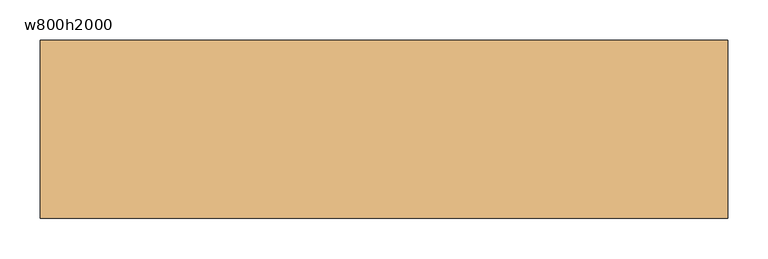
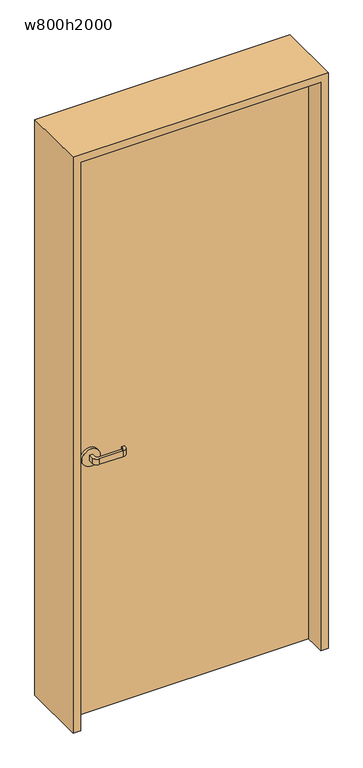
"""IFC4 building model written with IfcOpenShell, lengths in millimetres: door geometry, w800h2000."""

from ifc_helpers import new_model, si_unit, point, frame, frame_2d, origin, origin_with_axes, place, context, project, spatial, polyline, circle_curve, trimmed, segment, composite_curve, outline, extrude, source, transform, mapped, element, save


def w800h2000_a5e513ef(model_context):
    return source(origin(), model_context, "Body", "SweptSolid", [
        extrude(outline(polyline([(400.0, -40.0), (-400.0, -40.0), (-400.0, 0.0), (400.0, 0.0), (400.0, -40.0)])), origin_with_axes(), (0.0, 0.0, 1.0), 2000.0),
        extrude(outline(composite_curve([segment(polyline([(-325.0, -50.0), (-325.0, -65.0)]), True, "CONTINUOUS"), segment(trimmed(circle_curve(frame_2d((-320.0, -65.0)), 5.0), [point((-325.0, -65.0))], [point((-320.0, -70.0))], True, "CARTESIAN"), True, "CONTINUOUS"), segment(polyline([(-320.0, -70.0), (-240.0, -70.0)]), True, "CONTINUOUS"), segment(trimmed(circle_curve(frame_2d((-240.0, -65.0)), 5.0), [point((-240.0, -70.0))], [point((-235.0, -65.0))], True, "CARTESIAN"), True, "CONTINUOUS"), segment(polyline([(-235.0, -65.0), (-235.0, -60.0), (-225.0, -60.0), (-225.0, -65.0)]), True, "CONTINUOUS"), segment(trimmed(circle_curve(frame_2d((-240.0, -65.0)), 15.0), [point((-225.0, -65.0))], [point((-240.0, -80.0))], False, "CARTESIAN"), True, "CONTINUOUS"), segment(polyline([(-240.0, -80.0), (-320.0, -80.0)]), True, "CONTINUOUS"), segment(trimmed(circle_curve(frame_2d((-320.0, -65.0)), 15.0), [point((-320.0, -80.0))], [point((-335.0, -65.0))], False, "CARTESIAN"), True, "CONTINUOUS"), segment(polyline([(-335.0, -65.0), (-335.0, -50.0), (-325.0, -50.0)]), True, "CONTINUOUS")], self_intersect=False)), frame((0.0, 0.0, 890.0), z_axis=(0.0, 0.0, 1.0), x_axis=(1.0, 0.0, 0.0)), (0.0, 0.0, 1.0), 20.0),
        extrude(outline(composite_curve([segment(trimmed(circle_curve(frame_2d((900.0, -330.0)), 30.0), [point((900.0, -360.0))], [point((900.0, -300.0))], False, "CARTESIAN"), True, "CONTINUOUS"), segment(trimmed(circle_curve(frame_2d((900.0, -330.0)), 30.0), [point((900.0, -300.0))], [point((900.0, -360.0))], False, "CARTESIAN"), True, "CONTINUOUS")], self_intersect=False)), frame((0.0, -50.0, 0.0), z_axis=(0.0, 1.0, 0.0), x_axis=(0.0, 0.0, 1.0)), (0.0, 0.0, 1.0), 10.0),
        extrude(outline(composite_curve([segment(polyline([(-335.0, 10.0), (-335.0, 25.0)]), True, "CONTINUOUS"), segment(trimmed(circle_curve(frame_2d((-320.0, 25.0)), 15.0), [point((-335.0, 25.0))], [point((-320.0, 40.0))], False, "CARTESIAN"), True, "CONTINUOUS"), segment(polyline([(-320.0, 40.0), (-240.0, 40.0)]), True, "CONTINUOUS"), segment(trimmed(circle_curve(frame_2d((-240.0, 25.0)), 15.0), [point((-240.0, 40.0))], [point((-225.0, 25.0))], False, "CARTESIAN"), True, "CONTINUOUS"), segment(polyline([(-225.0, 25.0), (-225.0, 20.0), (-235.0, 20.0), (-235.0, 25.0)]), True, "CONTINUOUS"), segment(trimmed(circle_curve(frame_2d((-240.0, 25.0)), 5.0), [point((-235.0, 25.0))], [point((-240.0, 30.0))], True, "CARTESIAN"), True, "CONTINUOUS"), segment(polyline([(-240.0, 30.0), (-320.0, 30.0)]), True, "CONTINUOUS"), segment(trimmed(circle_curve(frame_2d((-320.0, 25.0)), 5.0), [point((-320.0, 30.0))], [point((-325.0, 25.0))], True, "CARTESIAN"), True, "CONTINUOUS"), segment(polyline([(-325.0, 25.0), (-325.0, 10.0), (-335.0, 10.0)]), True, "CONTINUOUS")], self_intersect=False)), frame((0.0, 0.0, 890.0), z_axis=(0.0, 0.0, 1.0), x_axis=(1.0, 0.0, 0.0)), (0.0, 0.0, 1.0), 20.0),
        extrude(outline(composite_curve([segment(trimmed(circle_curve(frame_2d((900.0, -330.0)), 30.0), [point((900.0, -360.0))], [point((900.0, -300.0))], False, "CARTESIAN"), True, "CONTINUOUS"), segment(trimmed(circle_curve(frame_2d((900.0, -330.0)), 30.0), [point((900.0, -300.0))], [point((900.0, -360.0))], False, "CARTESIAN"), True, "CONTINUOUS")], self_intersect=False)), frame((0.0, 0.0, 0.0), z_axis=(0.0, 1.0, 0.0), x_axis=(0.0, 0.0, 1.0)), (0.0, 0.0, 1.0), 10.0),
        extrude(outline(polyline([(0.0, -400.0), (2000.0, -400.0), (2000.0, 400.0), (0.0, 400.0), (0.0, 425.0), (2025.0, 425.0), (2025.0, -425.0), (0.0, -425.0), (0.0, -400.0)])), frame((0.0, -110.0, 0.0), z_axis=(0.0, 1.0, 0.0), x_axis=(0.0, 0.0, 1.0)), (0.0, 0.0, 1.0), 220.0),
    ])


if __name__ == "__main__":
    model = new_model("IFC4")
    model_context = context("Model", 3, world=origin())
    ifc_project = project(units=[si_unit("LENGTHUNIT", "METRE", prefix="MILLI")], contexts=[model_context])
    site = spatial("IfcSite", under=ifc_project)
    building = spatial("IfcBuilding", under=site)
    placement = place(None, origin())
    w800h2000_shape = w800h2000_a5e513ef(model_context)
    element("IfcDoor", 1, ObjectType="w800h2000", at=placement, inside=building, context=model_context, shape_type="MappedRepresentation", body=[
        mapped(w800h2000_shape, transform((0.0, 0.0, 0.0), x_axis=(1.0, 0.0, 0.0), y_axis=(0.0, 1.0, 0.0), z_axis=(0.0, 0.0, 1.0))),
    ])
    save(model, "model.ifc")
